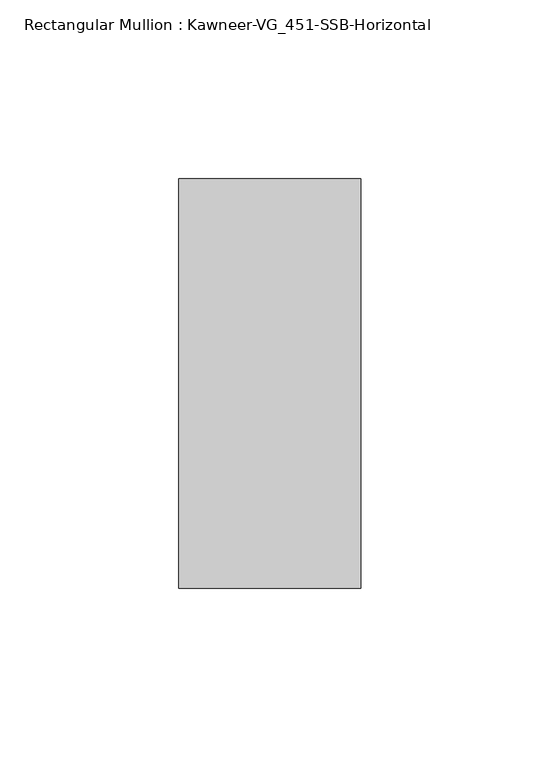
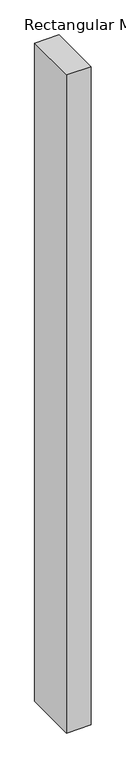
"""IFC4 building model written with IfcOpenShell, lengths in millimetres: member geometry, Rectangular Mullion : Kawneer-VG_451-SSB-Horizontal."""

from ifc_helpers import new_model, si_unit, frame, origin, place, context, project, spatial, polyline, outline, extrude, source, transform, mapped, element, save


def rectangular_mullion_kawneer_vg_451_ssb_horizontal_adbf91b8(model_context):
    return source(origin(), model_context, "Body", "SweptSolid", [
        extrude(outline(polyline([(25.4, 57.15), (25.4, -57.15), (-25.4, -57.15), (-25.4, 57.15), (25.4, 57.15)])), frame((0.0, 0.0, -1439.8625), z_axis=(0.0, 0.0, 1.0), x_axis=(1.0, 0.0, 0.0)), (0.0, 0.0, 1.0), 1439.8625),
    ])


if __name__ == "__main__":
    model = new_model("IFC4")
    model_context = context("Model", 3, world=origin())
    ifc_project = project(units=[si_unit("LENGTHUNIT", "METRE", prefix="MILLI")], contexts=[model_context])
    site = spatial("IfcSite", under=ifc_project)
    building = spatial("IfcBuilding", under=site)
    placement = place(None, origin())
    rectangular_mullion_kawneer_vg_451_ssb_horizontal_shape = rectangular_mullion_kawneer_vg_451_ssb_horizontal_adbf91b8(model_context)
    element("IfcMember", 1, ObjectType="Rectangular Mullion : Kawneer-VG_451-SSB-Horizontal", at=placement, inside=building, context=model_context, shape_type="MappedRepresentation", body=[
        mapped(rectangular_mullion_kawneer_vg_451_ssb_horizontal_shape, transform((0.0, 0.0, 0.0), x_axis=(1.0, 0.0, 0.0), y_axis=(0.0, 1.0, 0.0), z_axis=(0.0, 0.0, 1.0))),
    ])
    save(model, "model.ifc")
